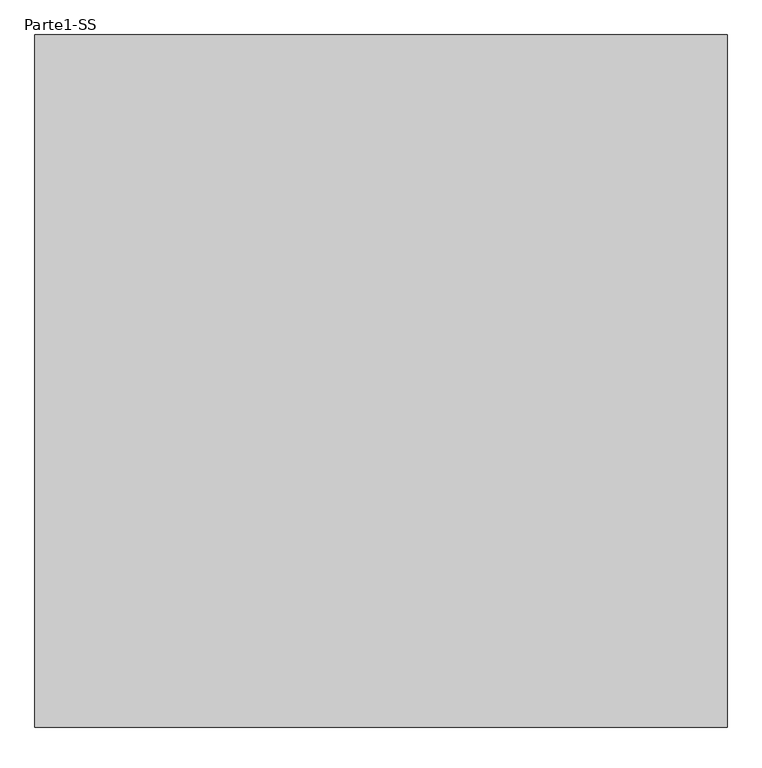
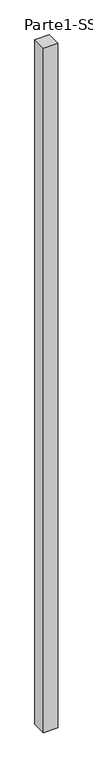
"""IFC4 building model written with IfcOpenShell, lengths in millimetres: proxy geometry, Parte1-SS."""

from ifc_helpers import new_model, si_unit, frame, origin, place, context, project, spatial, polyline, outline, extrude, source, transform, mapped, element, save


def parte1_ss_d48f2e0d(model_context):
    return source(origin(), model_context, "Body", "SweptSolid", [
        extrude(outline(polyline([(2000.0, 2000.0), (2000.0, 0.0), (0.0, 0.0), (0.0, 2000.0), (2000.0, 2000.0)])), frame((0.0, 0.0, 25000.0), z_axis=(0.0, 0.0, 1.0), x_axis=(1.0, 0.0, 0.0)), (0.0, 0.0, 1.0), 100000.0),
    ])


if __name__ == "__main__":
    model = new_model("IFC4")
    model_context = context("Model", 3, world=origin())
    ifc_project = project(units=[si_unit("LENGTHUNIT", "METRE", prefix="MILLI")], contexts=[model_context])
    site = spatial("IfcSite", under=ifc_project)
    building = spatial("IfcBuilding", under=site)
    placement = place(None, origin())
    parte1_ss_shape = parte1_ss_d48f2e0d(model_context)
    element("IfcBuildingElementProxy", 1, Name="Parte1-SS", ObjectType="Parte1-SS", at=placement, inside=building, context=model_context, shape_type="MappedRepresentation", body=[
        mapped(parte1_ss_shape, transform((0.0, 0.0, 0.0), x_axis=(1.0, 0.0, 0.0), y_axis=(0.0, 1.0, 0.0), z_axis=(0.0, 0.0, 1.0))),
    ])
    save(model, "model.ifc")
